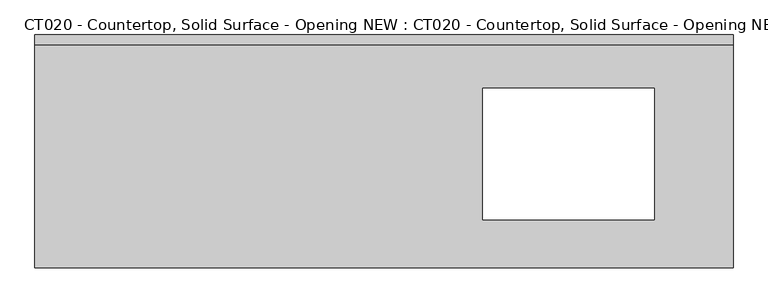
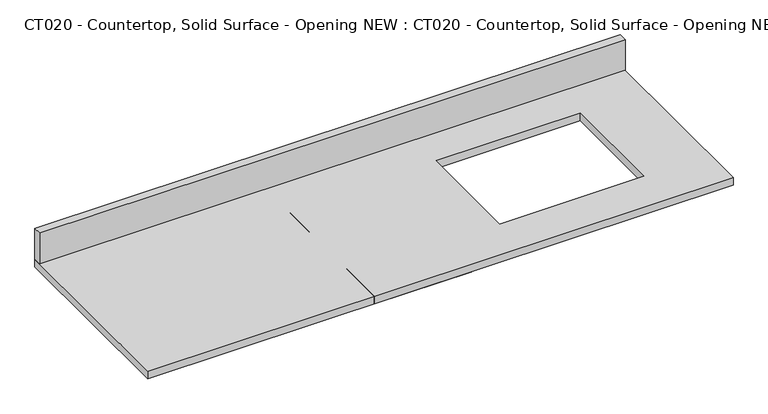
"""IFC4 building model written with IfcOpenShell, lengths in millimetres: proxy geometry, CT020 - Countertop, Solid Surface - Opening NEW : CT020 - Countertop, Solid Surface - Opening NEW."""

from ifc_helpers import new_model, si_unit, frame, origin, origin_with_axes, place, context, project, spatial, polyline, outline, extrude, source, transform, mapped, element, save


def ct020_countertop_solid_surface_opening_new_ct020_countertop_3a9c1b0d(model_context):
    return source(origin(), model_context, "Body", "SweptSolid", [
        extrude(outline(polyline([(968.1059067, 304.8), (968.1059067, -304.8), (-858.5795225, -304.8), (-858.5795225, 304.8), (968.1059067, 304.8)]), holes=[polyline([(762.0, 165.1), (313.1178879, 165.1), (313.1178879, -178.386638), (762.0, -178.386638), (762.0, 165.1)])]), origin_with_axes(), (0.0, 0.0, 1.0), 25.4),
        extrude(outline(polyline([(-858.5795225, 279.4), (-858.5795225, 304.8), (968.1059067, 304.8), (968.1059067, 279.4), (-858.5795225, 279.4)])), frame((0.0, 0.0, 25.4), z_axis=(0.0, 0.0, 1.0), x_axis=(1.0, 0.0, 0.0)), (0.0, 0.0, 1.0), 101.6),
        extrude(outline(polyline([(-152.4, 304.8), (152.4, 304.8), (152.4, -304.8), (-152.4, -304.8), (-152.4, 0.0), (-152.4, 304.8)])), origin_with_axes(), (0.0, 0.0, 1.0), 25.4),
    ])


if __name__ == "__main__":
    model = new_model("IFC4")
    model_context = context("Model", 3, world=origin())
    ifc_project = project(units=[si_unit("LENGTHUNIT", "METRE", prefix="MILLI")], contexts=[model_context])
    site = spatial("IfcSite", under=ifc_project)
    building = spatial("IfcBuilding", under=site)
    placement = place(None, origin())
    ct020_countertop_solid_surface_opening_new_ct020_countertop_shape = ct020_countertop_solid_surface_opening_new_ct020_countertop_3a9c1b0d(model_context)
    element("IfcBuildingElementProxy", 1, Name="CT020 - Countertop, Solid Surface - Opening NEW : CT020 - Countertop, Solid Surface - Opening NEW", ObjectType="CT020 - Countertop, Solid Surface - Opening NEW : CT020 - Countertop, Solid Surface - Opening NEW", at=placement, inside=building, context=model_context, shape_type="MappedRepresentation", body=[
        mapped(ct020_countertop_solid_surface_opening_new_ct020_countertop_shape, transform((0.0, 0.0, 0.0), x_axis=(1.0, 0.0, 0.0), y_axis=(0.0, 1.0, 0.0), z_axis=(0.0, 0.0, 1.0))),
    ])
    save(model, "model.ifc")
